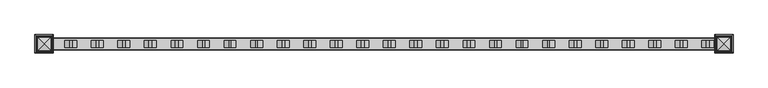
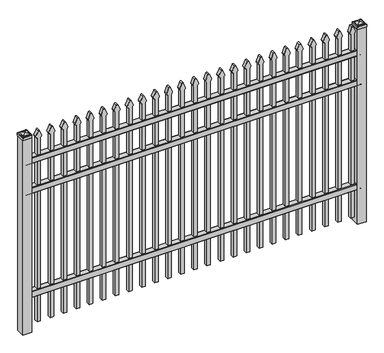
"""IFC4 building model written with IfcOpenShell, lengths in millimetres: railing geometry."""

from ifc_helpers import new_model, si_unit, point, frame, frame_2d, origin, origin_with_axes, place, context, project, spatial, polyline, circle_curve, ellipse_curve, trimmed, segment, composite_curve, outline, extrude, source, transform, mapped, element, save
from ifc_brep_helpers import plane_surface, cylinder_surface, advanced_brep


def railing_cf4b4599(model_context):
    return source(origin(), model_context, "Body", "SolidModel", [
        extrude(outline(composite_curve([segment(polyline([(11873.9139761, 304.8), (11911.969541, 304.8)]), True, "CONTINUOUS"), segment(trimmed(circle_curve(frame_2d((11911.969541, 301.625)), 3.175), [point((11911.969541, 304.8))], [point((11915.144541, 301.625))], False, "CARTESIAN"), True, "CONTINUOUS"), segment(polyline([(11915.144541, 301.625), (11915.144541, 262.1439893)]), True, "CONTINUOUS"), segment(trimmed(circle_curve(frame_2d((11913.3505518, 262.1439893)), 1.7939893), [point((11915.144541, 262.1439893))], [point((11913.3505518, 260.35))], False, "CARTESIAN"), True, "CONTINUOUS"), segment(polyline([(11913.3505518, 260.35), (11910.7590713, 260.35)]), True, "CONTINUOUS"), segment(trimmed(circle_curve(frame_2d((11910.7590713, 262.1359375)), 1.7859375), [point((11910.7590713, 260.35))], [point((11908.9755813, 262.0424688))], False, "CARTESIAN"), True, "CONTINUOUS"), segment(polyline([(11908.9755813, 262.0424688), (11907.4025867, 292.0569942), (11878.4364954, 292.0569942), (11876.8635007, 262.0424688)]), True, "CONTINUOUS"), segment(trimmed(circle_curve(frame_2d((11875.0800108, 262.1359375)), 1.7859375), [point((11876.8635007, 262.0424688))], [point((11875.0800108, 260.35))], False, "CARTESIAN"), True, "CONTINUOUS"), segment(polyline([(11875.0800108, 260.35), (11872.4804785, 260.35)]), True, "CONTINUOUS"), segment(trimmed(circle_curve(frame_2d((11872.4804785, 262.1359375)), 1.7859375), [point((11872.4804785, 260.35))], [point((11870.694541, 262.1359375))], False, "CARTESIAN"), True, "CONTINUOUS"), segment(polyline([(11870.694541, 262.1359375), (11870.694541, 301.5805649)]), True, "CONTINUOUS"), segment(trimmed(circle_curve(frame_2d((11873.9139761, 301.5805649)), 3.2194351), [point((11870.694541, 301.5805649))], [point((11873.9139761, 304.8))], False, "CARTESIAN"), True, "CONTINUOUS")], self_intersect=False)), frame((-28443.4649936, 0.0, 0.0), z_axis=(1.0, 0.0, 0.0), x_axis=(0.0, 1.0, 0.0)), (0.0, 0.0, 1.0), 2438.4),
        extrude(outline(composite_curve([segment(polyline([(11873.9139761, 1104.9), (11911.969541, 1104.9)]), True, "CONTINUOUS"), segment(trimmed(circle_curve(frame_2d((11911.969541, 1101.725)), 3.175), [point((11911.969541, 1104.9))], [point((11915.144541, 1101.725))], False, "CARTESIAN"), True, "CONTINUOUS"), segment(polyline([(11915.144541, 1101.725), (11915.144541, 1062.2439893)]), True, "CONTINUOUS"), segment(trimmed(circle_curve(frame_2d((11913.3505518, 1062.2439893)), 1.7939893), [point((11915.144541, 1062.2439893))], [point((11913.3505518, 1060.45))], False, "CARTESIAN"), True, "CONTINUOUS"), segment(polyline([(11913.3505518, 1060.45), (11910.7590713, 1060.45)]), True, "CONTINUOUS"), segment(trimmed(circle_curve(frame_2d((11910.7590713, 1062.2359375)), 1.7859375), [point((11910.7590713, 1060.45))], [point((11908.9755813, 1062.1424688))], False, "CARTESIAN"), True, "CONTINUOUS"), segment(polyline([(11908.9755813, 1062.1424688), (11907.4025867, 1092.1569942), (11878.4364954, 1092.1569942), (11876.8635007, 1062.1424688)]), True, "CONTINUOUS"), segment(trimmed(circle_curve(frame_2d((11875.0800108, 1062.2359375)), 1.7859375), [point((11876.8635007, 1062.1424688))], [point((11875.0800108, 1060.45))], False, "CARTESIAN"), True, "CONTINUOUS"), segment(polyline([(11875.0800108, 1060.45), (11872.4804785, 1060.45)]), True, "CONTINUOUS"), segment(trimmed(circle_curve(frame_2d((11872.4804785, 1062.2359375)), 1.7859375), [point((11872.4804785, 1060.45))], [point((11870.694541, 1062.2359375))], False, "CARTESIAN"), True, "CONTINUOUS"), segment(polyline([(11870.694541, 1062.2359375), (11870.694541, 1101.6805649)]), True, "CONTINUOUS"), segment(trimmed(circle_curve(frame_2d((11873.9139761, 1101.6805649)), 3.2194351), [point((11870.694541, 1101.6805649))], [point((11873.9139761, 1104.9))], False, "CARTESIAN"), True, "CONTINUOUS")], self_intersect=False)), frame((-28443.4649936, 0.0, 0.0), z_axis=(1.0, 0.0, 0.0), x_axis=(0.0, 1.0, 0.0)), (0.0, 0.0, 1.0), 2438.4),
        extrude(outline(composite_curve([segment(polyline([(11873.9139761, 1335.0875), (11911.969541, 1335.0875)]), True, "CONTINUOUS"), segment(trimmed(circle_curve(frame_2d((11911.969541, 1331.9125)), 3.175), [point((11911.969541, 1335.0875))], [point((11915.144541, 1331.9125))], False, "CARTESIAN"), True, "CONTINUOUS"), segment(polyline([(11915.144541, 1331.9125), (11915.144541, 1292.4314893)]), True, "CONTINUOUS"), segment(trimmed(circle_curve(frame_2d((11913.3505518, 1292.4314893)), 1.7939893), [point((11915.144541, 1292.4314893))], [point((11913.3505518, 1290.6375))], False, "CARTESIAN"), True, "CONTINUOUS"), segment(polyline([(11913.3505518, 1290.6375), (11910.7590713, 1290.6375)]), True, "CONTINUOUS"), segment(trimmed(circle_curve(frame_2d((11910.7590713, 1292.4234375)), 1.7859375), [point((11910.7590713, 1290.6375))], [point((11908.9755813, 1292.3299688))], False, "CARTESIAN"), True, "CONTINUOUS"), segment(polyline([(11908.9755813, 1292.3299688), (11907.4025867, 1322.3444942), (11878.4364954, 1322.3444942), (11876.8635007, 1292.3299688)]), True, "CONTINUOUS"), segment(trimmed(circle_curve(frame_2d((11875.0800108, 1292.4234375)), 1.7859375), [point((11876.8635007, 1292.3299688))], [point((11875.0800108, 1290.6375))], False, "CARTESIAN"), True, "CONTINUOUS"), segment(polyline([(11875.0800108, 1290.6375), (11872.4804785, 1290.6375)]), True, "CONTINUOUS"), segment(trimmed(circle_curve(frame_2d((11872.4804785, 1292.4234375)), 1.7859375), [point((11872.4804785, 1290.6375))], [point((11870.694541, 1292.4234375))], False, "CARTESIAN"), True, "CONTINUOUS"), segment(polyline([(11870.694541, 1292.4234375), (11870.694541, 1331.8680649)]), True, "CONTINUOUS"), segment(trimmed(circle_curve(frame_2d((11873.9139761, 1331.8680649)), 3.2194351), [point((11870.694541, 1331.8680649))], [point((11873.9139761, 1335.0875))], False, "CARTESIAN"), True, "CONTINUOUS")], self_intersect=False)), frame((-28443.4649936, 0.0, 0.0), z_axis=(1.0, 0.0, 0.0), x_axis=(0.0, 1.0, 0.0)), (0.0, 0.0, 1.0), 2438.4),
        extrude(outline(composite_curve([segment(polyline([(1464.6798417, -26074.9149936), (50.8, -26074.9149936), (50.8, -26049.5149936), (1464.4579232, -26049.5149936)]), True, "CONTINUOUS"), segment(trimmed(circle_curve(frame_2d((1482.9299402, -26063.3872336)), 23.1009622), [point((1464.4579232, -26049.5149936))], [point((1477.4676176, -26040.9413545))], False, "CARTESIAN"), True, "CONTINUOUS"), segment(polyline([(1477.4676176, -26040.9413545), (1517.9555225, -26057.2605644)]), True, "CONTINUOUS"), segment(trimmed(circle_curve(frame_2d((1514.8045804, -26062.3905764)), 6.0204202), [point((1517.9555225, -26057.2605644))], [point((1517.9555225, -26067.5205884))], False, "CARTESIAN"), True, "CONTINUOUS"), segment(polyline([(1517.9555225, -26067.5205884), (1478.7339948, -26083.4687724)]), True, "CONTINUOUS"), segment(trimmed(circle_curve(frame_2d((1482.9299402, -26060.7520716)), 23.1009622), [point((1478.7339948, -26083.4687724))], [point((1464.6798417, -26074.9149936))], False, "CARTESIAN"), True, "CONTINUOUS")], self_intersect=False)), frame((0.0, 11880.219541, 0.0), z_axis=(0.0, 1.0, 0.0), x_axis=(0.0, 0.0, 1.0)), (0.0, 0.0, 1.0), 25.4),
        extrude(outline(composite_curve([segment(polyline([(1464.6798417, -26170.1649936), (50.8, -26170.1649936), (50.8, -26144.7649936), (1464.4579232, -26144.7649936)]), True, "CONTINUOUS"), segment(trimmed(circle_curve(frame_2d((1482.9299402, -26158.6372336)), 23.1009622), [point((1464.4579232, -26144.7649936))], [point((1477.4676176, -26136.1913545))], False, "CARTESIAN"), True, "CONTINUOUS"), segment(polyline([(1477.4676176, -26136.1913545), (1517.9555225, -26152.5105644)]), True, "CONTINUOUS"), segment(trimmed(circle_curve(frame_2d((1514.8045804, -26157.6405764)), 6.0204202), [point((1517.9555225, -26152.5105644))], [point((1517.9555225, -26162.7705884))], False, "CARTESIAN"), True, "CONTINUOUS"), segment(polyline([(1517.9555225, -26162.7705884), (1478.7339948, -26178.7187724)]), True, "CONTINUOUS"), segment(trimmed(circle_curve(frame_2d((1482.9299402, -26156.0020716)), 23.1009622), [point((1478.7339948, -26178.7187724))], [point((1464.6798417, -26170.1649936))], False, "CARTESIAN"), True, "CONTINUOUS")], self_intersect=False)), frame((0.0, 11880.219541, 0.0), z_axis=(0.0, 1.0, 0.0), x_axis=(0.0, 0.0, 1.0)), (0.0, 0.0, 1.0), 25.4),
        extrude(outline(composite_curve([segment(polyline([(1464.6798417, -26265.4149936), (50.8, -26265.4149936), (50.8, -26240.0149936), (1464.4579232, -26240.0149936)]), True, "CONTINUOUS"), segment(trimmed(circle_curve(frame_2d((1482.9299402, -26253.8872336)), 23.1009622), [point((1464.4579232, -26240.0149936))], [point((1477.4676176, -26231.4413545))], False, "CARTESIAN"), True, "CONTINUOUS"), segment(polyline([(1477.4676176, -26231.4413545), (1517.9555225, -26247.7605644)]), True, "CONTINUOUS"), segment(trimmed(circle_curve(frame_2d((1514.8045804, -26252.8905764)), 6.0204202), [point((1517.9555225, -26247.7605644))], [point((1517.9555225, -26258.0205884))], False, "CARTESIAN"), True, "CONTINUOUS"), segment(polyline([(1517.9555225, -26258.0205884), (1478.7339948, -26273.9687724)]), True, "CONTINUOUS"), segment(trimmed(circle_curve(frame_2d((1482.9299402, -26251.2520716)), 23.1009622), [point((1478.7339948, -26273.9687724))], [point((1464.6798417, -26265.4149936))], False, "CARTESIAN"), True, "CONTINUOUS")], self_intersect=False)), frame((0.0, 11880.219541, 0.0), z_axis=(0.0, 1.0, 0.0), x_axis=(0.0, 0.0, 1.0)), (0.0, 0.0, 1.0), 25.4),
        extrude(outline(composite_curve([segment(polyline([(1464.6798417, -26360.6649936), (50.8, -26360.6649936), (50.8, -26335.2649936), (1464.4579232, -26335.2649936)]), True, "CONTINUOUS"), segment(trimmed(circle_curve(frame_2d((1482.9299402, -26349.1372336)), 23.1009622), [point((1464.4579232, -26335.2649936))], [point((1477.4676176, -26326.6913545))], False, "CARTESIAN"), True, "CONTINUOUS"), segment(polyline([(1477.4676176, -26326.6913545), (1517.9555225, -26343.0105644)]), True, "CONTINUOUS"), segment(trimmed(circle_curve(frame_2d((1514.8045804, -26348.1405764)), 6.0204202), [point((1517.9555225, -26343.0105644))], [point((1517.9555225, -26353.2705884))], False, "CARTESIAN"), True, "CONTINUOUS"), segment(polyline([(1517.9555225, -26353.2705884), (1478.7339948, -26369.2187724)]), True, "CONTINUOUS"), segment(trimmed(circle_curve(frame_2d((1482.9299402, -26346.5020716)), 23.1009622), [point((1478.7339948, -26369.2187724))], [point((1464.6798417, -26360.6649936))], False, "CARTESIAN"), True, "CONTINUOUS")], self_intersect=False)), frame((0.0, 11880.219541, 0.0), z_axis=(0.0, 1.0, 0.0), x_axis=(0.0, 0.0, 1.0)), (0.0, 0.0, 1.0), 25.4),
        extrude(outline(composite_curve([segment(polyline([(1464.6798417, -26455.9149936), (50.8, -26455.9149936), (50.8, -26430.5149936), (1464.4579232, -26430.5149936)]), True, "CONTINUOUS"), segment(trimmed(circle_curve(frame_2d((1482.9299402, -26444.3872336)), 23.1009622), [point((1464.4579232, -26430.5149936))], [point((1477.4676176, -26421.9413545))], False, "CARTESIAN"), True, "CONTINUOUS"), segment(polyline([(1477.4676176, -26421.9413545), (1517.9555225, -26438.2605644)]), True, "CONTINUOUS"), segment(trimmed(circle_curve(frame_2d((1514.8045804, -26443.3905764)), 6.0204202), [point((1517.9555225, -26438.2605644))], [point((1517.9555225, -26448.5205884))], False, "CARTESIAN"), True, "CONTINUOUS"), segment(polyline([(1517.9555225, -26448.5205884), (1478.7339948, -26464.4687724)]), True, "CONTINUOUS"), segment(trimmed(circle_curve(frame_2d((1482.9299402, -26441.7520716)), 23.1009622), [point((1478.7339948, -26464.4687724))], [point((1464.6798417, -26455.9149936))], False, "CARTESIAN"), True, "CONTINUOUS")], self_intersect=False)), frame((0.0, 11880.219541, 0.0), z_axis=(0.0, 1.0, 0.0), x_axis=(0.0, 0.0, 1.0)), (0.0, 0.0, 1.0), 25.4),
        extrude(outline(composite_curve([segment(polyline([(1464.6798417, -26551.1649936), (50.8, -26551.1649936), (50.8, -26525.7649936), (1464.4579232, -26525.7649936)]), True, "CONTINUOUS"), segment(trimmed(circle_curve(frame_2d((1482.9299402, -26539.6372336)), 23.1009622), [point((1464.4579232, -26525.7649936))], [point((1477.4676176, -26517.1913545))], False, "CARTESIAN"), True, "CONTINUOUS"), segment(polyline([(1477.4676176, -26517.1913545), (1517.9555225, -26533.5105644)]), True, "CONTINUOUS"), segment(trimmed(circle_curve(frame_2d((1514.8045804, -26538.6405764)), 6.0204202), [point((1517.9555225, -26533.5105644))], [point((1517.9555225, -26543.7705884))], False, "CARTESIAN"), True, "CONTINUOUS"), segment(polyline([(1517.9555225, -26543.7705884), (1478.7339948, -26559.7187724)]), True, "CONTINUOUS"), segment(trimmed(circle_curve(frame_2d((1482.9299402, -26537.0020716)), 23.1009622), [point((1478.7339948, -26559.7187724))], [point((1464.6798417, -26551.1649936))], False, "CARTESIAN"), True, "CONTINUOUS")], self_intersect=False)), frame((0.0, 11880.219541, 0.0), z_axis=(0.0, 1.0, 0.0), x_axis=(0.0, 0.0, 1.0)), (0.0, 0.0, 1.0), 25.4),
        extrude(outline(composite_curve([segment(polyline([(1464.6798417, -26646.4149936), (50.8, -26646.4149936), (50.8, -26621.0149936), (1464.4579232, -26621.0149936)]), True, "CONTINUOUS"), segment(trimmed(circle_curve(frame_2d((1482.9299402, -26634.8872336)), 23.1009622), [point((1464.4579232, -26621.0149936))], [point((1477.4676176, -26612.4413545))], False, "CARTESIAN"), True, "CONTINUOUS"), segment(polyline([(1477.4676176, -26612.4413545), (1517.9555225, -26628.7605644)]), True, "CONTINUOUS"), segment(trimmed(circle_curve(frame_2d((1514.8045804, -26633.8905764)), 6.0204202), [point((1517.9555225, -26628.7605644))], [point((1517.9555225, -26639.0205884))], False, "CARTESIAN"), True, "CONTINUOUS"), segment(polyline([(1517.9555225, -26639.0205884), (1478.7339948, -26654.9687724)]), True, "CONTINUOUS"), segment(trimmed(circle_curve(frame_2d((1482.9299402, -26632.2520716)), 23.1009622), [point((1478.7339948, -26654.9687724))], [point((1464.6798417, -26646.4149936))], False, "CARTESIAN"), True, "CONTINUOUS")], self_intersect=False)), frame((0.0, 11880.219541, 0.0), z_axis=(0.0, 1.0, 0.0), x_axis=(0.0, 0.0, 1.0)), (0.0, 0.0, 1.0), 25.4),
        extrude(outline(composite_curve([segment(polyline([(1464.6798417, -26741.6649936), (50.8, -26741.6649936), (50.8, -26716.2649936), (1464.4579232, -26716.2649936)]), True, "CONTINUOUS"), segment(trimmed(circle_curve(frame_2d((1482.9299402, -26730.1372336)), 23.1009622), [point((1464.4579232, -26716.2649936))], [point((1477.4676176, -26707.6913545))], False, "CARTESIAN"), True, "CONTINUOUS"), segment(polyline([(1477.4676176, -26707.6913545), (1517.9555225, -26724.0105644)]), True, "CONTINUOUS"), segment(trimmed(circle_curve(frame_2d((1514.8045804, -26729.1405764)), 6.0204202), [point((1517.9555225, -26724.0105644))], [point((1517.9555225, -26734.2705884))], False, "CARTESIAN"), True, "CONTINUOUS"), segment(polyline([(1517.9555225, -26734.2705884), (1478.7339948, -26750.2187724)]), True, "CONTINUOUS"), segment(trimmed(circle_curve(frame_2d((1482.9299402, -26727.5020716)), 23.1009622), [point((1478.7339948, -26750.2187724))], [point((1464.6798417, -26741.6649936))], False, "CARTESIAN"), True, "CONTINUOUS")], self_intersect=False)), frame((0.0, 11880.219541, 0.0), z_axis=(0.0, 1.0, 0.0), x_axis=(0.0, 0.0, 1.0)), (0.0, 0.0, 1.0), 25.4),
        extrude(outline(composite_curve([segment(polyline([(1464.6798417, -26836.9149936), (50.8, -26836.9149936), (50.8, -26811.5149936), (1464.4579232, -26811.5149936)]), True, "CONTINUOUS"), segment(trimmed(circle_curve(frame_2d((1482.9299402, -26825.3872336)), 23.1009622), [point((1464.4579232, -26811.5149936))], [point((1477.4676176, -26802.9413545))], False, "CARTESIAN"), True, "CONTINUOUS"), segment(polyline([(1477.4676176, -26802.9413545), (1517.9555225, -26819.2605644)]), True, "CONTINUOUS"), segment(trimmed(circle_curve(frame_2d((1514.8045804, -26824.3905764)), 6.0204202), [point((1517.9555225, -26819.2605644))], [point((1517.9555225, -26829.5205884))], False, "CARTESIAN"), True, "CONTINUOUS"), segment(polyline([(1517.9555225, -26829.5205884), (1478.7339948, -26845.4687724)]), True, "CONTINUOUS"), segment(trimmed(circle_curve(frame_2d((1482.9299402, -26822.7520716)), 23.1009622), [point((1478.7339948, -26845.4687724))], [point((1464.6798417, -26836.9149936))], False, "CARTESIAN"), True, "CONTINUOUS")], self_intersect=False)), frame((0.0, 11880.219541, 0.0), z_axis=(0.0, 1.0, 0.0), x_axis=(0.0, 0.0, 1.0)), (0.0, 0.0, 1.0), 25.4),
        extrude(outline(composite_curve([segment(polyline([(1464.6798417, -26932.1649936), (50.8, -26932.1649936), (50.8, -26906.7649936), (1464.4579232, -26906.7649936)]), True, "CONTINUOUS"), segment(trimmed(circle_curve(frame_2d((1482.9299402, -26920.6372336)), 23.1009622), [point((1464.4579232, -26906.7649936))], [point((1477.4676176, -26898.1913545))], False, "CARTESIAN"), True, "CONTINUOUS"), segment(polyline([(1477.4676176, -26898.1913545), (1517.9555225, -26914.5105644)]), True, "CONTINUOUS"), segment(trimmed(circle_curve(frame_2d((1514.8045804, -26919.6405764)), 6.0204202), [point((1517.9555225, -26914.5105644))], [point((1517.9555225, -26924.7705884))], False, "CARTESIAN"), True, "CONTINUOUS"), segment(polyline([(1517.9555225, -26924.7705884), (1478.7339948, -26940.7187724)]), True, "CONTINUOUS"), segment(trimmed(circle_curve(frame_2d((1482.9299402, -26918.0020716)), 23.1009622), [point((1478.7339948, -26940.7187724))], [point((1464.6798417, -26932.1649936))], False, "CARTESIAN"), True, "CONTINUOUS")], self_intersect=False)), frame((0.0, 11880.219541, 0.0), z_axis=(0.0, 1.0, 0.0), x_axis=(0.0, 0.0, 1.0)), (0.0, 0.0, 1.0), 25.4),
        extrude(outline(composite_curve([segment(polyline([(1464.6798417, -27027.4149936), (50.8, -27027.4149936), (50.8, -27002.0149936), (1464.4579232, -27002.0149936)]), True, "CONTINUOUS"), segment(trimmed(circle_curve(frame_2d((1482.9299402, -27015.8872336)), 23.1009622), [point((1464.4579232, -27002.0149936))], [point((1477.4676176, -26993.4413545))], False, "CARTESIAN"), True, "CONTINUOUS"), segment(polyline([(1477.4676176, -26993.4413545), (1517.9555225, -27009.7605644)]), True, "CONTINUOUS"), segment(trimmed(circle_curve(frame_2d((1514.8045804, -27014.8905764)), 6.0204202), [point((1517.9555225, -27009.7605644))], [point((1517.9555225, -27020.0205884))], False, "CARTESIAN"), True, "CONTINUOUS"), segment(polyline([(1517.9555225, -27020.0205884), (1478.7339948, -27035.9687724)]), True, "CONTINUOUS"), segment(trimmed(circle_curve(frame_2d((1482.9299402, -27013.2520716)), 23.1009622), [point((1478.7339948, -27035.9687724))], [point((1464.6798417, -27027.4149936))], False, "CARTESIAN"), True, "CONTINUOUS")], self_intersect=False)), frame((0.0, 11880.219541, 0.0), z_axis=(0.0, 1.0, 0.0), x_axis=(0.0, 0.0, 1.0)), (0.0, 0.0, 1.0), 25.4),
        extrude(outline(composite_curve([segment(polyline([(1464.6798417, -27122.6649936), (50.8, -27122.6649936), (50.8, -27097.2649936), (1464.4579232, -27097.2649936)]), True, "CONTINUOUS"), segment(trimmed(circle_curve(frame_2d((1482.9299402, -27111.1372336)), 23.1009622), [point((1464.4579232, -27097.2649936))], [point((1477.4676176, -27088.6913545))], False, "CARTESIAN"), True, "CONTINUOUS"), segment(polyline([(1477.4676176, -27088.6913545), (1517.9555225, -27105.0105644)]), True, "CONTINUOUS"), segment(trimmed(circle_curve(frame_2d((1514.8045804, -27110.1405764)), 6.0204202), [point((1517.9555225, -27105.0105644))], [point((1517.9555225, -27115.2705884))], False, "CARTESIAN"), True, "CONTINUOUS"), segment(polyline([(1517.9555225, -27115.2705884), (1478.7339948, -27131.2187724)]), True, "CONTINUOUS"), segment(trimmed(circle_curve(frame_2d((1482.9299402, -27108.5020716)), 23.1009622), [point((1478.7339948, -27131.2187724))], [point((1464.6798417, -27122.6649936))], False, "CARTESIAN"), True, "CONTINUOUS")], self_intersect=False)), frame((0.0, 11880.219541, 0.0), z_axis=(0.0, 1.0, 0.0), x_axis=(0.0, 0.0, 1.0)), (0.0, 0.0, 1.0), 25.4),
        extrude(outline(composite_curve([segment(polyline([(1464.6798417, -27217.9149936), (50.8, -27217.9149936), (50.8, -27192.5149936), (1464.4579232, -27192.5149936)]), True, "CONTINUOUS"), segment(trimmed(circle_curve(frame_2d((1482.9299402, -27206.3872336)), 23.1009622), [point((1464.4579232, -27192.5149936))], [point((1477.4676176, -27183.9413545))], False, "CARTESIAN"), True, "CONTINUOUS"), segment(polyline([(1477.4676176, -27183.9413545), (1517.9555225, -27200.2605644)]), True, "CONTINUOUS"), segment(trimmed(circle_curve(frame_2d((1514.8045804, -27205.3905764)), 6.0204202), [point((1517.9555225, -27200.2605644))], [point((1517.9555225, -27210.5205884))], False, "CARTESIAN"), True, "CONTINUOUS"), segment(polyline([(1517.9555225, -27210.5205884), (1478.7339948, -27226.4687724)]), True, "CONTINUOUS"), segment(trimmed(circle_curve(frame_2d((1482.9299402, -27203.7520716)), 23.1009622), [point((1478.7339948, -27226.4687724))], [point((1464.6798417, -27217.9149936))], False, "CARTESIAN"), True, "CONTINUOUS")], self_intersect=False)), frame((0.0, 11880.219541, 0.0), z_axis=(0.0, 1.0, 0.0), x_axis=(0.0, 0.0, 1.0)), (0.0, 0.0, 1.0), 25.4),
        extrude(outline(composite_curve([segment(polyline([(1464.6798417, -27313.1649936), (50.8, -27313.1649936), (50.8, -27287.7649936), (1464.4579232, -27287.7649936)]), True, "CONTINUOUS"), segment(trimmed(circle_curve(frame_2d((1482.9299402, -27301.6372336)), 23.1009622), [point((1464.4579232, -27287.7649936))], [point((1477.4676176, -27279.1913545))], False, "CARTESIAN"), True, "CONTINUOUS"), segment(polyline([(1477.4676176, -27279.1913545), (1517.9555225, -27295.5105644)]), True, "CONTINUOUS"), segment(trimmed(circle_curve(frame_2d((1514.8045804, -27300.6405764)), 6.0204202), [point((1517.9555225, -27295.5105644))], [point((1517.9555225, -27305.7705884))], False, "CARTESIAN"), True, "CONTINUOUS"), segment(polyline([(1517.9555225, -27305.7705884), (1478.7339948, -27321.7187724)]), True, "CONTINUOUS"), segment(trimmed(circle_curve(frame_2d((1482.9299402, -27299.0020716)), 23.1009622), [point((1478.7339948, -27321.7187724))], [point((1464.6798417, -27313.1649936))], False, "CARTESIAN"), True, "CONTINUOUS")], self_intersect=False)), frame((0.0, 11880.219541, 0.0), z_axis=(0.0, 1.0, 0.0), x_axis=(0.0, 0.0, 1.0)), (0.0, 0.0, 1.0), 25.4),
        extrude(outline(composite_curve([segment(polyline([(1464.6798417, -27408.4149936), (50.8, -27408.4149936), (50.8, -27383.0149936), (1464.4579232, -27383.0149936)]), True, "CONTINUOUS"), segment(trimmed(circle_curve(frame_2d((1482.9299402, -27396.8872336)), 23.1009622), [point((1464.4579232, -27383.0149936))], [point((1477.4676176, -27374.4413545))], False, "CARTESIAN"), True, "CONTINUOUS"), segment(polyline([(1477.4676176, -27374.4413545), (1517.9555225, -27390.7605644)]), True, "CONTINUOUS"), segment(trimmed(circle_curve(frame_2d((1514.8045804, -27395.8905764)), 6.0204202), [point((1517.9555225, -27390.7605644))], [point((1517.9555225, -27401.0205884))], False, "CARTESIAN"), True, "CONTINUOUS"), segment(polyline([(1517.9555225, -27401.0205884), (1478.7339948, -27416.9687724)]), True, "CONTINUOUS"), segment(trimmed(circle_curve(frame_2d((1482.9299402, -27394.2520716)), 23.1009622), [point((1478.7339948, -27416.9687724))], [point((1464.6798417, -27408.4149936))], False, "CARTESIAN"), True, "CONTINUOUS")], self_intersect=False)), frame((0.0, 11880.219541, 0.0), z_axis=(0.0, 1.0, 0.0), x_axis=(0.0, 0.0, 1.0)), (0.0, 0.0, 1.0), 25.4),
        extrude(outline(composite_curve([segment(polyline([(1464.6798417, -27503.6649936), (50.8, -27503.6649936), (50.8, -27478.2649936), (1464.4579232, -27478.2649936)]), True, "CONTINUOUS"), segment(trimmed(circle_curve(frame_2d((1482.9299402, -27492.1372336)), 23.1009622), [point((1464.4579232, -27478.2649936))], [point((1477.4676176, -27469.6913545))], False, "CARTESIAN"), True, "CONTINUOUS"), segment(polyline([(1477.4676176, -27469.6913545), (1517.9555225, -27486.0105644)]), True, "CONTINUOUS"), segment(trimmed(circle_curve(frame_2d((1514.8045804, -27491.1405764)), 6.0204202), [point((1517.9555225, -27486.0105644))], [point((1517.9555225, -27496.2705884))], False, "CARTESIAN"), True, "CONTINUOUS"), segment(polyline([(1517.9555225, -27496.2705884), (1478.7339948, -27512.2187724)]), True, "CONTINUOUS"), segment(trimmed(circle_curve(frame_2d((1482.9299402, -27489.5020716)), 23.1009622), [point((1478.7339948, -27512.2187724))], [point((1464.6798417, -27503.6649936))], False, "CARTESIAN"), True, "CONTINUOUS")], self_intersect=False)), frame((0.0, 11880.219541, 0.0), z_axis=(0.0, 1.0, 0.0), x_axis=(0.0, 0.0, 1.0)), (0.0, 0.0, 1.0), 25.4),
        extrude(outline(composite_curve([segment(polyline([(1464.6798417, -27598.9149936), (50.8, -27598.9149936), (50.8, -27573.5149936), (1464.4579232, -27573.5149936)]), True, "CONTINUOUS"), segment(trimmed(circle_curve(frame_2d((1482.9299402, -27587.3872336)), 23.1009622), [point((1464.4579232, -27573.5149936))], [point((1477.4676176, -27564.9413545))], False, "CARTESIAN"), True, "CONTINUOUS"), segment(polyline([(1477.4676176, -27564.9413545), (1517.9555225, -27581.2605644)]), True, "CONTINUOUS"), segment(trimmed(circle_curve(frame_2d((1514.8045804, -27586.3905764)), 6.0204202), [point((1517.9555225, -27581.2605644))], [point((1517.9555225, -27591.5205884))], False, "CARTESIAN"), True, "CONTINUOUS"), segment(polyline([(1517.9555225, -27591.5205884), (1478.7339948, -27607.4687724)]), True, "CONTINUOUS"), segment(trimmed(circle_curve(frame_2d((1482.9299402, -27584.7520716)), 23.1009622), [point((1478.7339948, -27607.4687724))], [point((1464.6798417, -27598.9149936))], False, "CARTESIAN"), True, "CONTINUOUS")], self_intersect=False)), frame((0.0, 11880.219541, 0.0), z_axis=(0.0, 1.0, 0.0), x_axis=(0.0, 0.0, 1.0)), (0.0, 0.0, 1.0), 25.4),
        extrude(outline(composite_curve([segment(polyline([(1464.6798417, -27694.1649936), (50.8, -27694.1649936), (50.8, -27668.7649936), (1464.4579232, -27668.7649936)]), True, "CONTINUOUS"), segment(trimmed(circle_curve(frame_2d((1482.9299402, -27682.6372336)), 23.1009622), [point((1464.4579232, -27668.7649936))], [point((1477.4676176, -27660.1913545))], False, "CARTESIAN"), True, "CONTINUOUS"), segment(polyline([(1477.4676176, -27660.1913545), (1517.9555225, -27676.5105644)]), True, "CONTINUOUS"), segment(trimmed(circle_curve(frame_2d((1514.8045804, -27681.6405764)), 6.0204202), [point((1517.9555225, -27676.5105644))], [point((1517.9555225, -27686.7705884))], False, "CARTESIAN"), True, "CONTINUOUS"), segment(polyline([(1517.9555225, -27686.7705884), (1478.7339948, -27702.7187724)]), True, "CONTINUOUS"), segment(trimmed(circle_curve(frame_2d((1482.9299402, -27680.0020716)), 23.1009622), [point((1478.7339948, -27702.7187724))], [point((1464.6798417, -27694.1649936))], False, "CARTESIAN"), True, "CONTINUOUS")], self_intersect=False)), frame((0.0, 11880.219541, 0.0), z_axis=(0.0, 1.0, 0.0), x_axis=(0.0, 0.0, 1.0)), (0.0, 0.0, 1.0), 25.4),
        extrude(outline(composite_curve([segment(polyline([(1464.6798417, -27789.4149936), (50.8, -27789.4149936), (50.8, -27764.0149936), (1464.4579232, -27764.0149936)]), True, "CONTINUOUS"), segment(trimmed(circle_curve(frame_2d((1482.9299402, -27777.8872336)), 23.1009622), [point((1464.4579232, -27764.0149936))], [point((1477.4676176, -27755.4413545))], False, "CARTESIAN"), True, "CONTINUOUS"), segment(polyline([(1477.4676176, -27755.4413545), (1517.9555225, -27771.7605644)]), True, "CONTINUOUS"), segment(trimmed(circle_curve(frame_2d((1514.8045804, -27776.8905764)), 6.0204202), [point((1517.9555225, -27771.7605644))], [point((1517.9555225, -27782.0205884))], False, "CARTESIAN"), True, "CONTINUOUS"), segment(polyline([(1517.9555225, -27782.0205884), (1478.7339948, -27797.9687724)]), True, "CONTINUOUS"), segment(trimmed(circle_curve(frame_2d((1482.9299402, -27775.2520716)), 23.1009622), [point((1478.7339948, -27797.9687724))], [point((1464.6798417, -27789.4149936))], False, "CARTESIAN"), True, "CONTINUOUS")], self_intersect=False)), frame((0.0, 11880.219541, 0.0), z_axis=(0.0, 1.0, 0.0), x_axis=(0.0, 0.0, 1.0)), (0.0, 0.0, 1.0), 25.4),
        extrude(outline(composite_curve([segment(polyline([(1464.6798417, -27884.6649936), (50.8, -27884.6649936), (50.8, -27859.2649936), (1464.4579232, -27859.2649936)]), True, "CONTINUOUS"), segment(trimmed(circle_curve(frame_2d((1482.9299402, -27873.1372336)), 23.1009622), [point((1464.4579232, -27859.2649936))], [point((1477.4676176, -27850.6913545))], False, "CARTESIAN"), True, "CONTINUOUS"), segment(polyline([(1477.4676176, -27850.6913545), (1517.9555225, -27867.0105644)]), True, "CONTINUOUS"), segment(trimmed(circle_curve(frame_2d((1514.8045804, -27872.1405764)), 6.0204202), [point((1517.9555225, -27867.0105644))], [point((1517.9555225, -27877.2705884))], False, "CARTESIAN"), True, "CONTINUOUS"), segment(polyline([(1517.9555225, -27877.2705884), (1478.7339948, -27893.2187724)]), True, "CONTINUOUS"), segment(trimmed(circle_curve(frame_2d((1482.9299402, -27870.5020716)), 23.1009622), [point((1478.7339948, -27893.2187724))], [point((1464.6798417, -27884.6649936))], False, "CARTESIAN"), True, "CONTINUOUS")], self_intersect=False)), frame((0.0, 11880.219541, 0.0), z_axis=(0.0, 1.0, 0.0), x_axis=(0.0, 0.0, 1.0)), (0.0, 0.0, 1.0), 25.4),
        extrude(outline(composite_curve([segment(polyline([(1464.6798417, -27979.9149936), (50.8, -27979.9149936), (50.8, -27954.5149936), (1464.4579232, -27954.5149936)]), True, "CONTINUOUS"), segment(trimmed(circle_curve(frame_2d((1482.9299402, -27968.3872336)), 23.1009622), [point((1464.4579232, -27954.5149936))], [point((1477.4676176, -27945.9413545))], False, "CARTESIAN"), True, "CONTINUOUS"), segment(polyline([(1477.4676176, -27945.9413545), (1517.9555225, -27962.2605644)]), True, "CONTINUOUS"), segment(trimmed(circle_curve(frame_2d((1514.8045804, -27967.3905764)), 6.0204202), [point((1517.9555225, -27962.2605644))], [point((1517.9555225, -27972.5205884))], False, "CARTESIAN"), True, "CONTINUOUS"), segment(polyline([(1517.9555225, -27972.5205884), (1478.7339948, -27988.4687724)]), True, "CONTINUOUS"), segment(trimmed(circle_curve(frame_2d((1482.9299402, -27965.7520716)), 23.1009622), [point((1478.7339948, -27988.4687724))], [point((1464.6798417, -27979.9149936))], False, "CARTESIAN"), True, "CONTINUOUS")], self_intersect=False)), frame((0.0, 11880.219541, 0.0), z_axis=(0.0, 1.0, 0.0), x_axis=(0.0, 0.0, 1.0)), (0.0, 0.0, 1.0), 25.4),
        extrude(outline(composite_curve([segment(polyline([(1464.6798417, -28075.1649936), (50.8, -28075.1649936), (50.8, -28049.7649936), (1464.4579232, -28049.7649936)]), True, "CONTINUOUS"), segment(trimmed(circle_curve(frame_2d((1482.9299402, -28063.6372336)), 23.1009622), [point((1464.4579232, -28049.7649936))], [point((1477.4676176, -28041.1913545))], False, "CARTESIAN"), True, "CONTINUOUS"), segment(polyline([(1477.4676176, -28041.1913545), (1517.9555225, -28057.5105644)]), True, "CONTINUOUS"), segment(trimmed(circle_curve(frame_2d((1514.8045804, -28062.6405764)), 6.0204202), [point((1517.9555225, -28057.5105644))], [point((1517.9555225, -28067.7705884))], False, "CARTESIAN"), True, "CONTINUOUS"), segment(polyline([(1517.9555225, -28067.7705884), (1478.7339948, -28083.7187724)]), True, "CONTINUOUS"), segment(trimmed(circle_curve(frame_2d((1482.9299402, -28061.0020716)), 23.1009622), [point((1478.7339948, -28083.7187724))], [point((1464.6798417, -28075.1649936))], False, "CARTESIAN"), True, "CONTINUOUS")], self_intersect=False)), frame((0.0, 11880.219541, 0.0), z_axis=(0.0, 1.0, 0.0), x_axis=(0.0, 0.0, 1.0)), (0.0, 0.0, 1.0), 25.4),
        extrude(outline(composite_curve([segment(polyline([(1464.6798417, -28170.4149936), (50.8, -28170.4149936), (50.8, -28145.0149936), (1464.4579232, -28145.0149936)]), True, "CONTINUOUS"), segment(trimmed(circle_curve(frame_2d((1482.9299402, -28158.8872336)), 23.1009622), [point((1464.4579232, -28145.0149936))], [point((1477.4676176, -28136.4413545))], False, "CARTESIAN"), True, "CONTINUOUS"), segment(polyline([(1477.4676176, -28136.4413545), (1517.9555225, -28152.7605644)]), True, "CONTINUOUS"), segment(trimmed(circle_curve(frame_2d((1514.8045804, -28157.8905764)), 6.0204202), [point((1517.9555225, -28152.7605644))], [point((1517.9555225, -28163.0205884))], False, "CARTESIAN"), True, "CONTINUOUS"), segment(polyline([(1517.9555225, -28163.0205884), (1478.7339948, -28178.9687724)]), True, "CONTINUOUS"), segment(trimmed(circle_curve(frame_2d((1482.9299402, -28156.2520716)), 23.1009622), [point((1478.7339948, -28178.9687724))], [point((1464.6798417, -28170.4149936))], False, "CARTESIAN"), True, "CONTINUOUS")], self_intersect=False)), frame((0.0, 11880.219541, 0.0), z_axis=(0.0, 1.0, 0.0), x_axis=(0.0, 0.0, 1.0)), (0.0, 0.0, 1.0), 25.4),
        extrude(outline(composite_curve([segment(polyline([(1464.6798417, -28265.6649936), (50.8, -28265.6649936), (50.8, -28240.2649936), (1464.4579232, -28240.2649936)]), True, "CONTINUOUS"), segment(trimmed(circle_curve(frame_2d((1482.9299402, -28254.1372336)), 23.1009622), [point((1464.4579232, -28240.2649936))], [point((1477.4676176, -28231.6913545))], False, "CARTESIAN"), True, "CONTINUOUS"), segment(polyline([(1477.4676176, -28231.6913545), (1517.9555225, -28248.0105644)]), True, "CONTINUOUS"), segment(trimmed(circle_curve(frame_2d((1514.8045804, -28253.1405764)), 6.0204202), [point((1517.9555225, -28248.0105644))], [point((1517.9555225, -28258.2705884))], False, "CARTESIAN"), True, "CONTINUOUS"), segment(polyline([(1517.9555225, -28258.2705884), (1478.7339948, -28274.2187724)]), True, "CONTINUOUS"), segment(trimmed(circle_curve(frame_2d((1482.9299402, -28251.5020716)), 23.1009622), [point((1478.7339948, -28274.2187724))], [point((1464.6798417, -28265.6649936))], False, "CARTESIAN"), True, "CONTINUOUS")], self_intersect=False)), frame((0.0, 11880.219541, 0.0), z_axis=(0.0, 1.0, 0.0), x_axis=(0.0, 0.0, 1.0)), (0.0, 0.0, 1.0), 25.4),
        extrude(outline(composite_curve([segment(polyline([(1464.6798417, -28360.9149936), (50.8, -28360.9149936), (50.8, -28335.5149936), (1464.4579232, -28335.5149936)]), True, "CONTINUOUS"), segment(trimmed(circle_curve(frame_2d((1482.9299402, -28349.3872336)), 23.1009622), [point((1464.4579232, -28335.5149936))], [point((1477.4676176, -28326.9413545))], False, "CARTESIAN"), True, "CONTINUOUS"), segment(polyline([(1477.4676176, -28326.9413545), (1517.9555225, -28343.2605644)]), True, "CONTINUOUS"), segment(trimmed(circle_curve(frame_2d((1514.8045804, -28348.3905764)), 6.0204202), [point((1517.9555225, -28343.2605644))], [point((1517.9555225, -28353.5205884))], False, "CARTESIAN"), True, "CONTINUOUS"), segment(polyline([(1517.9555225, -28353.5205884), (1478.7339948, -28369.4687724)]), True, "CONTINUOUS"), segment(trimmed(circle_curve(frame_2d((1482.9299402, -28346.7520716)), 23.1009622), [point((1478.7339948, -28369.4687724))], [point((1464.6798417, -28360.9149936))], False, "CARTESIAN"), True, "CONTINUOUS")], self_intersect=False)), frame((0.0, 11880.219541, 0.0), z_axis=(0.0, 1.0, 0.0), x_axis=(0.0, 0.0, 1.0)), (0.0, 0.0, 1.0), 25.4),
        extrude(outline(polyline([(-25973.3149936, 11924.669541), (-25973.3149936, 11861.169541), (-26036.8149936, 11861.169541), (-26036.8149936, 11924.669541), (-25973.3149936, 11924.669541)])), origin_with_axes(), (0.0, 0.0, 1.0), 1500.1875),
        advanced_brep(
        [(-26038.4024936, 11926.257041, 1518.44375), (-26038.4024936, 11926.257041, 1500.1875), (-26038.4024936, 11859.582041, 1500.1875), (-26038.4024936, 11859.582041, 1518.44375), (-26036.0212436, 11923.875791, 1520.825), (-26036.0212436, 11861.963291, 1520.825), (-26033.6399936, 11921.494541, 1523.20625), (-26033.6399936, 11921.494541, 1520.825), (-26033.6399936, 11864.344541, 1520.825), (-26033.6399936, 11864.344541, 1523.20625), (-26031.2587436, 11919.113291, 1525.5875), (-26031.2587436, 11866.725791, 1525.5875), (-26005.0649936, 11892.919541, 1531.9375), (-26028.8774936, 11916.732041, 1525.5875), (-26028.8774936, 11869.107041, 1525.5875), (-25971.7274936, 11859.582041, 1500.1875), (-25971.7274936, 11859.582041, 1518.44375), (-25974.1087436, 11861.963291, 1520.825), (-25976.4899936, 11864.344541, 1520.825), (-25976.4899936, 11864.344541, 1523.20625), (-25978.8712436, 11866.725791, 1525.5875), (-25981.2524936, 11869.107041, 1525.5875), (-25971.7274936, 11926.257041, 1500.1875), (-25971.7274936, 11926.257041, 1518.44375), (-25974.1087436, 11923.875791, 1520.825), (-25976.4899936, 11921.494541, 1520.825), (-25976.4899936, 11921.494541, 1523.20625), (-25978.8712436, 11919.113291, 1525.5875), (-25981.2524936, 11916.732041, 1525.5875)],
        [
            (0, 1),
            (1, 2),
            (2, 3),
            (3, 0),
            (4, 0, ellipse_curve(frame((-26036.0212436, 11923.875791, 1518.44375), z_axis=(-0.70710678118655, -0.7071067811865449, 0.0), x_axis=(-0.7071067811865448, 0.7071067811865501, 0.0)), 3.367596, 2.38125)),
            (3, 5, ellipse_curve(frame((-26036.0212436, 11861.963291, 1518.44375), z_axis=(-0.7071067811865449, 0.70710678118655, 0.0), x_axis=(0.7071067811865499, 0.707106781186545, 0.0)), 3.367596, 2.38125)),
            (5, 4),
            (6, 7),
            (7, 8),
            (8, 9),
            (9, 6),
            (10, 6, ellipse_curve(frame((-26031.2587436, 11919.113291, 1523.20625), z_axis=(-0.70710678118655, -0.7071067811865449, 0.0), x_axis=(-0.7071067811865448, 0.7071067811865501, 0.0)), 3.367596, 2.38125)),
            (9, 11, ellipse_curve(frame((-26031.2587436, 11866.725791, 1523.20625), z_axis=(-0.7071067811865449, 0.70710678118655, 0.0), x_axis=(0.7071067811865499, 0.707106781186545, 0.0)), 3.367596, 2.38125)),
            (11, 10),
            (12, 13, ellipse_curve(frame((-26005.0649936, 11892.919541, 1484.1140625), z_axis=(-0.70710678118655, -0.7071067811865449, 0.0), x_axis=(-0.7071067811865448, 0.7071067811865501, 0.0)), 67.6325539, 47.8234375)),
            (13, 14),
            (14, 12, ellipse_curve(frame((-26005.0649936, 11892.919541, 1484.1140625), z_axis=(-0.7071067811865449, 0.70710678118655, 0.0), x_axis=(0.7071067811865499, 0.707106781186545, 0.0)), 67.6325539, 47.8234375)),
            (2, 15),
            (15, 16),
            (16, 3),
            (16, 17, ellipse_curve(frame((-25974.1087436, 11861.963291, 1518.44375), z_axis=(-0.70710678118655, -0.707106781186545, 0.0), x_axis=(-0.707106781186545, 0.70710678118655, 0.0)), 3.367596, 2.38125)),
            (17, 5),
            (8, 18),
            (18, 19),
            (19, 9),
            (19, 20, ellipse_curve(frame((-25978.8712436, 11866.725791, 1523.20625), z_axis=(-0.70710678118655, -0.707106781186545, 0.0), x_axis=(-0.707106781186545, 0.70710678118655, 0.0)), 3.367596, 2.38125)),
            (20, 11),
            (14, 21),
            (21, 12, ellipse_curve(frame((-26005.0649936, 11892.919541, 1484.1140625), z_axis=(-0.70710678118655, -0.707106781186545, 0.0), x_axis=(-0.707106781186545, 0.70710678118655, 0.0)), 67.6325539, 47.8234375)),
            (15, 22),
            (22, 23),
            (23, 16),
            (23, 24, ellipse_curve(frame((-25974.1087436, 11923.875791, 1518.44375), z_axis=(0.707106781186545, -0.7071067811865499, 0.0), x_axis=(-0.7071067811865497, -0.7071067811865452, 0.0)), 3.367596, 2.38125)),
            (24, 17),
            (18, 25),
            (25, 26),
            (26, 19),
            (26, 27, ellipse_curve(frame((-25978.8712436, 11919.113291, 1523.20625), z_axis=(0.707106781186545, -0.7071067811865499, 0.0), x_axis=(-0.7071067811865497, -0.7071067811865452, 0.0)), 3.367596, 2.38125)),
            (27, 20),
            (21, 28),
            (28, 12, ellipse_curve(frame((-26005.0649936, 11892.919541, 1484.1140625), z_axis=(0.707106781186545, -0.7071067811865499, 0.0), x_axis=(-0.7071067811865497, -0.7071067811865452, 0.0)), 67.6325539, 47.8234375)),
            (22, 1),
            (0, 23),
            (4, 24),
            (7, 25),
            (6, 26),
            (10, 27),
            (13, 28),
        ],
        [
            plane_surface(frame((-26038.4024936, 11926.257041, 1500.1875), z_axis=(-1.0, 0.0, 0.0), x_axis=(0.0, -1.0, 0.0))),
            cylinder_surface(frame((-26036.0212436, 11924.669541, 1518.44375), z_axis=(0.0, 1.0, 0.0), x_axis=(1.0, 0.0, 0.0)), 2.38125),
            plane_surface(frame((-26033.6399936, 11921.494541, 1520.825), z_axis=(-1.0, 0.0, 0.0), x_axis=(0.0, -1.0, 0.0))),
            cylinder_surface(frame((-26031.2587436, 11924.669541, 1523.20625), z_axis=(0.0, 1.0, 0.0), x_axis=(1.0, 0.0, 0.0)), 2.38125),
            cylinder_surface(frame((-26005.0649936, 11924.669541, 1484.1140625), z_axis=(0.0, 1.0, 0.0), x_axis=(1.0, 0.0, 0.0)), 47.8234375),
            plane_surface(frame((-26038.4024936, 11859.582041, 1500.1875), z_axis=(0.0, -1.0, 0.0), x_axis=(1.0, 0.0, 0.0))),
            cylinder_surface(frame((-26036.8149936, 11861.963291, 1518.44375), z_axis=(-1.0, 0.0, 0.0), x_axis=(0.0, 1.0, 0.0)), 2.38125),
            plane_surface(frame((-26033.6399936, 11864.344541, 1520.825), z_axis=(0.0, -1.0, 0.0), x_axis=(1.0, 0.0, 0.0))),
            cylinder_surface(frame((-26036.8149936, 11866.725791, 1523.20625), z_axis=(-1.0, 0.0, 0.0), x_axis=(0.0, 1.0, 0.0)), 2.38125),
            cylinder_surface(frame((-26036.8149936, 11892.919541, 1484.1140625), z_axis=(-1.0, 0.0, 0.0), x_axis=(0.0, 1.0, 0.0)), 47.8234375),
            plane_surface(frame((-25971.7274936, 11859.582041, 1500.1875), z_axis=(1.0, 0.0, 0.0), x_axis=(0.0, 1.0, 0.0))),
            cylinder_surface(frame((-25974.1087436, 11861.169541, 1518.44375), z_axis=(0.0, -1.0, 0.0), x_axis=(-1.0, 0.0, 0.0)), 2.38125),
            plane_surface(frame((-25976.4899936, 11864.344541, 1520.825), z_axis=(1.0, 0.0, 0.0), x_axis=(0.0, 1.0, 0.0))),
            cylinder_surface(frame((-25978.8712436, 11861.169541, 1523.20625), z_axis=(0.0, -1.0, 0.0), x_axis=(-1.0, 0.0, 0.0)), 2.38125),
            cylinder_surface(frame((-26005.0649936, 11861.169541, 1484.1140625), z_axis=(0.0, -1.0, 0.0), x_axis=(-1.0, 0.0, 0.0)), 47.8234375),
            plane_surface(frame((-25971.7274936, 11926.257041, 1500.1875), z_axis=(0.0, 1.0, 0.0), x_axis=(-1.0, 0.0, 0.0))),
            cylinder_surface(frame((-25973.3149936, 11923.875791, 1518.44375), z_axis=(1.0, 0.0, 0.0), x_axis=(0.0, -1.0, 0.0)), 2.38125),
            plane_surface(frame((-25974.1087436, 11923.875791, 1520.825), z_axis=(0.0, 0.0, 1.0), x_axis=(-1.0, 0.0, 0.0))),
            plane_surface(frame((-25976.4899936, 11921.494541, 1520.825), z_axis=(0.0, 1.0, 0.0), x_axis=(-1.0, 0.0, 0.0))),
            cylinder_surface(frame((-25973.3149936, 11919.113291, 1523.20625), z_axis=(1.0, 0.0, 0.0), x_axis=(0.0, -1.0, 0.0)), 2.38125),
            plane_surface(frame((-25978.8712436, 11919.113291, 1525.5875), z_axis=(0.0, 0.0, 1.0), x_axis=(-1.0, 0.0, 0.0))),
            cylinder_surface(frame((-25973.3149936, 11892.919541, 1484.1140625), z_axis=(1.0, 0.0, 0.0), x_axis=(0.0, -1.0, 0.0)), 47.8234375),
            plane_surface(frame((-26005.0649936, 11892.919541, 1500.1875), z_axis=(0.0, 0.0, -1.0), x_axis=(-1.0, 0.0, 0.0))),
        ],
        [
            (0, [[1, 2, 3, 4]]),
            (1, [[5, -4, 6, 7]]),
            (2, [[8, 9, 10, 11]]),
            (3, [[12, -11, 13, 14]]),
            (4, [[15, 16, 17]]),
            (5, [[-3, 18, 19, 20]]),
            (6, [[-6, -20, 21, 22]]),
            (7, [[-10, 23, 24, 25]]),
            (8, [[-13, -25, 26, 27]]),
            (9, [[-17, 28, 29]]),
            (10, [[-19, 30, 31, 32]]),
            (11, [[-21, -32, 33, 34]]),
            (12, [[-24, 35, 36, 37]]),
            (13, [[-26, -37, 38, 39]]),
            (14, [[-29, 40, 41]]),
            (15, [[-31, 42, -1, 43]]),
            (16, [[-33, -43, -5, 44]]),
            (17, [[-22, -34, -44, -7], [45, -35, -23, -9]]),
            (18, [[-36, -45, -8, 46]]),
            (19, [[-38, -46, -12, 47]]),
            (20, [[-27, -39, -47, -14], [48, -40, -28, -16]]),
            (21, [[-41, -48, -15]]),
            (22, [[-42, -30, -18, -2]]),
        ],
    ),
        extrude(outline(polyline([(-28411.7149936, 11924.669541), (-28411.7149936, 11861.169541), (-28475.2149936, 11861.169541), (-28475.2149936, 11924.669541), (-28411.7149936, 11924.669541)])), origin_with_axes(), (0.0, 0.0, 1.0), 1500.1875),
        advanced_brep(
        [(-28476.8024936, 11926.257041, 1518.44375), (-28476.8024936, 11926.257041, 1500.1875), (-28476.8024936, 11859.582041, 1500.1875), (-28476.8024936, 11859.582041, 1518.44375), (-28474.4212436, 11923.875791, 1520.825), (-28474.4212436, 11861.963291, 1520.825), (-28472.0399936, 11921.494541, 1523.20625), (-28472.0399936, 11921.494541, 1520.825), (-28472.0399936, 11864.344541, 1520.825), (-28472.0399936, 11864.344541, 1523.20625), (-28469.6587436, 11919.113291, 1525.5875), (-28469.6587436, 11866.725791, 1525.5875), (-28443.4649936, 11892.919541, 1531.9375), (-28467.2774936, 11916.732041, 1525.5875), (-28467.2774936, 11869.107041, 1525.5875), (-28410.1274936, 11859.582041, 1500.1875), (-28410.1274936, 11859.582041, 1518.44375), (-28412.5087436, 11861.963291, 1520.825), (-28414.8899936, 11864.344541, 1520.825), (-28414.8899936, 11864.344541, 1523.20625), (-28417.2712436, 11866.725791, 1525.5875), (-28419.6524936, 11869.107041, 1525.5875), (-28410.1274936, 11926.257041, 1500.1875), (-28410.1274936, 11926.257041, 1518.44375), (-28412.5087436, 11923.875791, 1520.825), (-28414.8899936, 11921.494541, 1520.825), (-28414.8899936, 11921.494541, 1523.20625), (-28417.2712436, 11919.113291, 1525.5875), (-28419.6524936, 11916.732041, 1525.5875)],
        [
            (0, 1),
            (1, 2),
            (2, 3),
            (3, 0),
            (4, 0, ellipse_curve(frame((-28474.4212436, 11923.875791, 1518.44375), z_axis=(-0.70710678118655, -0.7071067811865449, 0.0), x_axis=(-0.7071067811865448, 0.7071067811865501, 0.0)), 3.367596, 2.38125)),
            (3, 5, ellipse_curve(frame((-28474.4212436, 11861.963291, 1518.44375), z_axis=(-0.7071067811865449, 0.70710678118655, 0.0), x_axis=(0.7071067811865499, 0.707106781186545, 0.0)), 3.367596, 2.38125)),
            (5, 4),
            (6, 7),
            (7, 8),
            (8, 9),
            (9, 6),
            (10, 6, ellipse_curve(frame((-28469.6587436, 11919.113291, 1523.20625), z_axis=(-0.70710678118655, -0.7071067811865449, 0.0), x_axis=(-0.7071067811865448, 0.7071067811865501, 0.0)), 3.367596, 2.38125)),
            (9, 11, ellipse_curve(frame((-28469.6587436, 11866.725791, 1523.20625), z_axis=(-0.7071067811865449, 0.70710678118655, 0.0), x_axis=(0.7071067811865499, 0.707106781186545, 0.0)), 3.367596, 2.38125)),
            (11, 10),
            (12, 13, ellipse_curve(frame((-28443.4649936, 11892.919541, 1484.1140625), z_axis=(-0.70710678118655, -0.7071067811865449, 0.0), x_axis=(-0.7071067811865448, 0.7071067811865501, 0.0)), 67.6325539, 47.8234375)),
            (13, 14),
            (14, 12, ellipse_curve(frame((-28443.4649936, 11892.919541, 1484.1140625), z_axis=(-0.7071067811865449, 0.70710678118655, 0.0), x_axis=(0.7071067811865499, 0.707106781186545, 0.0)), 67.6325539, 47.8234375)),
            (2, 15),
            (15, 16),
            (16, 3),
            (16, 17, ellipse_curve(frame((-28412.5087436, 11861.963291, 1518.44375), z_axis=(-0.70710678118655, -0.707106781186545, 0.0), x_axis=(-0.707106781186545, 0.70710678118655, 0.0)), 3.367596, 2.38125)),
            (17, 5),
            (8, 18),
            (18, 19),
            (19, 9),
            (19, 20, ellipse_curve(frame((-28417.2712436, 11866.725791, 1523.20625), z_axis=(-0.70710678118655, -0.707106781186545, 0.0), x_axis=(-0.707106781186545, 0.70710678118655, 0.0)), 3.367596, 2.38125)),
            (20, 11),
            (14, 21),
            (21, 12, ellipse_curve(frame((-28443.4649936, 11892.919541, 1484.1140625), z_axis=(-0.70710678118655, -0.707106781186545, 0.0), x_axis=(-0.707106781186545, 0.70710678118655, 0.0)), 67.6325539, 47.8234375)),
            (15, 22),
            (22, 23),
            (23, 16),
            (23, 24, ellipse_curve(frame((-28412.5087436, 11923.875791, 1518.44375), z_axis=(0.707106781186545, -0.7071067811865499, 0.0), x_axis=(-0.7071067811865497, -0.7071067811865452, 0.0)), 3.367596, 2.38125)),
            (24, 17),
            (18, 25),
            (25, 26),
            (26, 19),
            (26, 27, ellipse_curve(frame((-28417.2712436, 11919.113291, 1523.20625), z_axis=(0.707106781186545, -0.7071067811865499, 0.0), x_axis=(-0.7071067811865497, -0.7071067811865452, 0.0)), 3.367596, 2.38125)),
            (27, 20),
            (21, 28),
            (28, 12, ellipse_curve(frame((-28443.4649936, 11892.919541, 1484.1140625), z_axis=(0.707106781186545, -0.7071067811865499, 0.0), x_axis=(-0.7071067811865497, -0.7071067811865452, 0.0)), 67.6325539, 47.8234375)),
            (22, 1),
            (0, 23),
            (4, 24),
            (7, 25),
            (6, 26),
            (10, 27),
            (13, 28),
        ],
        [
            plane_surface(frame((-28476.8024936, 11926.257041, 1500.1875), z_axis=(-1.0, 0.0, 0.0), x_axis=(0.0, -1.0, 0.0))),
            cylinder_surface(frame((-28474.4212436, 11924.669541, 1518.44375), z_axis=(0.0, 1.0, 0.0), x_axis=(1.0, 0.0, 0.0)), 2.38125),
            plane_surface(frame((-28472.0399936, 11921.494541, 1520.825), z_axis=(-1.0, 0.0, 0.0), x_axis=(0.0, -1.0, 0.0))),
            cylinder_surface(frame((-28469.6587436, 11924.669541, 1523.20625), z_axis=(0.0, 1.0, 0.0), x_axis=(1.0, 0.0, 0.0)), 2.38125),
            cylinder_surface(frame((-28443.4649936, 11924.669541, 1484.1140625), z_axis=(0.0, 1.0, 0.0), x_axis=(1.0, 0.0, 0.0)), 47.8234375),
            plane_surface(frame((-28476.8024936, 11859.582041, 1500.1875), z_axis=(0.0, -1.0, 0.0), x_axis=(1.0, 0.0, 0.0))),
            cylinder_surface(frame((-28475.2149936, 11861.963291, 1518.44375), z_axis=(-1.0, 0.0, 0.0), x_axis=(0.0, 1.0, 0.0)), 2.38125),
            plane_surface(frame((-28472.0399936, 11864.344541, 1520.825), z_axis=(0.0, -1.0, 0.0), x_axis=(1.0, 0.0, 0.0))),
            cylinder_surface(frame((-28475.2149936, 11866.725791, 1523.20625), z_axis=(-1.0, 0.0, 0.0), x_axis=(0.0, 1.0, 0.0)), 2.38125),
            cylinder_surface(frame((-28475.2149936, 11892.919541, 1484.1140625), z_axis=(-1.0, 0.0, 0.0), x_axis=(0.0, 1.0, 0.0)), 47.8234375),
            plane_surface(frame((-28410.1274936, 11859.582041, 1500.1875), z_axis=(1.0, 0.0, 0.0), x_axis=(0.0, 1.0, 0.0))),
            cylinder_surface(frame((-28412.5087436, 11861.169541, 1518.44375), z_axis=(0.0, -1.0, 0.0), x_axis=(-1.0, 0.0, 0.0)), 2.38125),
            plane_surface(frame((-28414.8899936, 11864.344541, 1520.825), z_axis=(1.0, 0.0, 0.0), x_axis=(0.0, 1.0, 0.0))),
            cylinder_surface(frame((-28417.2712436, 11861.169541, 1523.20625), z_axis=(0.0, -1.0, 0.0), x_axis=(-1.0, 0.0, 0.0)), 2.38125),
            cylinder_surface(frame((-28443.4649936, 11861.169541, 1484.1140625), z_axis=(0.0, -1.0, 0.0), x_axis=(-1.0, 0.0, 0.0)), 47.8234375),
            plane_surface(frame((-28410.1274936, 11926.257041, 1500.1875), z_axis=(0.0, 1.0, 0.0), x_axis=(-1.0, 0.0, 0.0))),
            cylinder_surface(frame((-28411.7149936, 11923.875791, 1518.44375), z_axis=(1.0, 0.0, 0.0), x_axis=(0.0, -1.0, 0.0)), 2.38125),
            plane_surface(frame((-28412.5087436, 11923.875791, 1520.825), z_axis=(0.0, 0.0, 1.0), x_axis=(-1.0, 0.0, 0.0))),
            plane_surface(frame((-28414.8899936, 11921.494541, 1520.825), z_axis=(0.0, 1.0, 0.0), x_axis=(-1.0, 0.0, 0.0))),
            cylinder_surface(frame((-28411.7149936, 11919.113291, 1523.20625), z_axis=(1.0, 0.0, 0.0), x_axis=(0.0, -1.0, 0.0)), 2.38125),
            plane_surface(frame((-28417.2712436, 11919.113291, 1525.5875), z_axis=(0.0, 0.0, 1.0), x_axis=(-1.0, 0.0, 0.0))),
            cylinder_surface(frame((-28411.7149936, 11892.919541, 1484.1140625), z_axis=(1.0, 0.0, 0.0), x_axis=(0.0, -1.0, 0.0)), 47.8234375),
            plane_surface(frame((-28443.4649936, 11892.919541, 1500.1875), z_axis=(0.0, 0.0, -1.0), x_axis=(-1.0, 0.0, 0.0))),
        ],
        [
            (0, [[1, 2, 3, 4]]),
            (1, [[5, -4, 6, 7]]),
            (2, [[8, 9, 10, 11]]),
            (3, [[12, -11, 13, 14]]),
            (4, [[15, 16, 17]]),
            (5, [[-3, 18, 19, 20]]),
            (6, [[-6, -20, 21, 22]]),
            (7, [[-10, 23, 24, 25]]),
            (8, [[-13, -25, 26, 27]]),
            (9, [[-17, 28, 29]]),
            (10, [[-19, 30, 31, 32]]),
            (11, [[-21, -32, 33, 34]]),
            (12, [[-24, 35, 36, 37]]),
            (13, [[-26, -37, 38, 39]]),
            (14, [[-29, 40, 41]]),
            (15, [[-31, 42, -1, 43]]),
            (16, [[-33, -43, -5, 44]]),
            (17, [[-22, -34, -44, -7], [45, -35, -23, -9]]),
            (18, [[-36, -45, -8, 46]]),
            (19, [[-38, -46, -12, 47]]),
            (20, [[-27, -39, -47, -14], [48, -40, -28, -16]]),
            (21, [[-41, -48, -15]]),
            (22, [[-42, -30, -18, -2]]),
        ],
    ),
    ])


if __name__ == "__main__":
    model = new_model("IFC4")
    model_context = context("Model", 3, world=origin())
    ifc_project = project(units=[si_unit("LENGTHUNIT", "METRE", prefix="MILLI")], contexts=[model_context])
    site = spatial("IfcSite", under=ifc_project)
    building = spatial("IfcBuilding", under=site)
    placement = place(None, origin())
    railing_shape = railing_cf4b4599(model_context)
    element("IfcRailing", 1, at=placement, inside=building, context=model_context, shape_type="MappedRepresentation", body=[
        mapped(railing_shape, transform((0.0, 0.0, 0.0), x_axis=(1.0, 0.0, 0.0), y_axis=(0.0, 1.0, 0.0), z_axis=(0.0, 0.0, 1.0))),
    ])
    save(model, "model.ifc")
